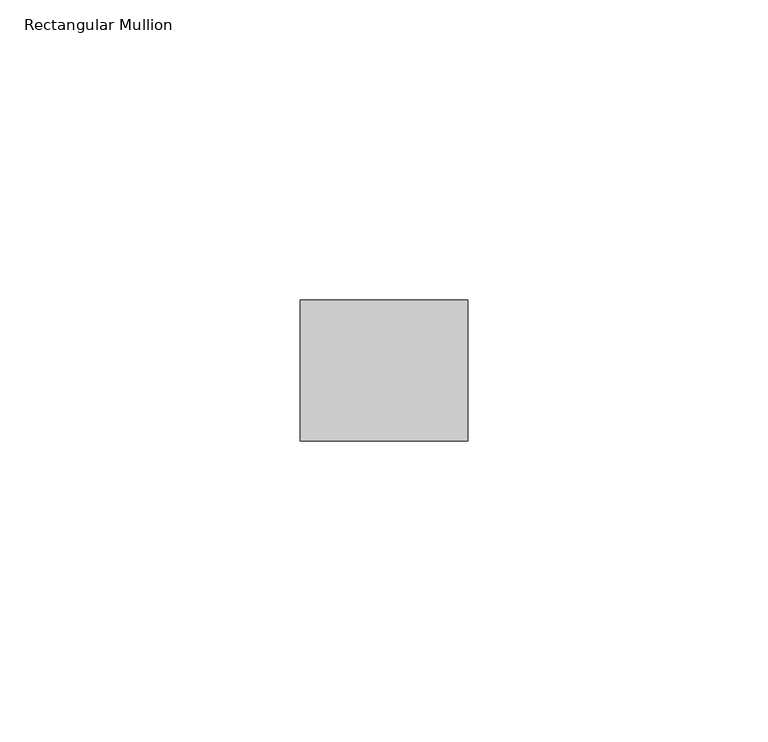
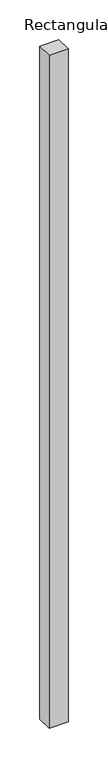
"""IFC4 building model written with IfcOpenShell, lengths in millimetres: member geometry, Rectangular Mullion."""

from ifc_helpers import new_model, si_unit, frame, origin, place, context, project, spatial, polyline, outline, extrude, source, transform, mapped, element, save


def rectangular_mullion_6337ab45(model_context):
    return source(origin(), model_context, "Body", "SweptSolid", [
        extrude(outline(polyline([(0.0, -11.7474999), (-27.94, -11.7474999), (-27.94, 11.7474999), (0.0, 11.7474999), (0.0, -11.7474999)])), frame((0.0, 0.0, -1035.0996301), z_axis=(0.0, 0.0, 1.0), x_axis=(1.0, 0.0, 0.0)), (0.0, 0.0, 1.0), 1035.0996301),
    ])


if __name__ == "__main__":
    model = new_model("IFC4")
    model_context = context("Model", 3, world=origin())
    ifc_project = project(units=[si_unit("LENGTHUNIT", "METRE", prefix="MILLI")], contexts=[model_context])
    site = spatial("IfcSite", under=ifc_project)
    building = spatial("IfcBuilding", under=site)
    placement = place(None, origin())
    rectangular_mullion_shape = rectangular_mullion_6337ab45(model_context)
    element("IfcMember", 1, ObjectType="Rectangular Mullion", at=placement, inside=building, context=model_context, shape_type="MappedRepresentation", body=[
        mapped(rectangular_mullion_shape, transform((0.0, 0.0, 0.0), x_axis=(1.0, 0.0, 0.0), y_axis=(0.0, 1.0, 0.0), z_axis=(0.0, 0.0, 1.0))),
    ])
    save(model, "model.ifc")
